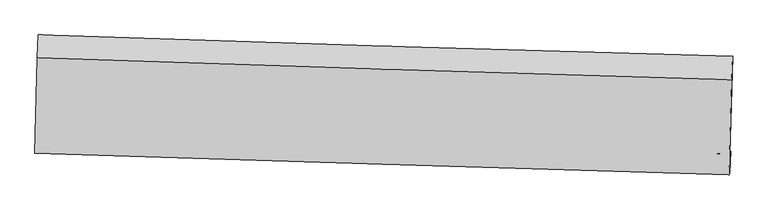
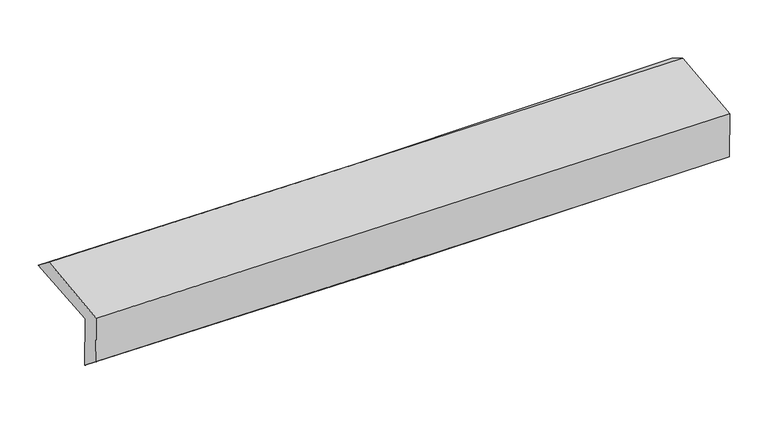
"""IFC4 building model written with IfcOpenShell, lengths in millimetres: proxy geometry."""

from ifc_helpers import new_model, si_unit, frame, origin, place, context, project, spatial, source, transform, mapped, element, save
from ifc_brep_helpers import plane_surface, spline_curve, spline_surface, advanced_brep


def generic_models_aeb746b1(model_context):
    return source(origin(), model_context, "Body", "AdvancedBrep", [
        advanced_brep(
        [(-2435.1442788, -1724.50373, 1989.181224), (-2416.7119521, -1055.1635833, 2015.1054514), (2422.4956374, -1202.4997565, 2111.1754456), (2403.1611555, -1881.6589107, 2084.8615801), (-2429.3098926, -1709.3799794, 1594.5513451), (2409.0671275, -1866.3422065, 1685.1989462), (-2435.3018295, -1862.4494132, 1718.2264448), (2403.151731, -2014.2994704, 1804.1041599), (-2440.8838827, -1879.543785, 2090.4146874), (2397.7194824, -2030.9350836, 2166.3040543), (-2422.9136635, -1215.3493326, 2139.5119468), (2416.3080347, -1366.7582743, 2215.4097771)],
        [
            (0, 1),
            (1, 2, spline_curve(3, [(-2416.7119521, -1055.1635833, 2015.1054514), (-1606.765659044, -1082.378806922, 2020.32129517), (-796.872307631, -1108.309520556, 2030.990130732), (816.196027961, -1157.400687213, 2063.102147615), (1619.371872787, -1180.582031508, 2084.456643621), (2422.4956374, -1202.4997565, 2111.1754456)], [4, 2, 4], [0.0, 7.9758495532651885, 15.886574942484424])),
            (2, 3),
            (3, 0, spline_curve(3, [(2403.1611555, -1881.6589107, 2084.8615801), (1600.280619324, -1854.857726427, 2058.333526542), (797.301451506, -1828.413087419, 2037.106999937), (-815.46539608, -1776.02213246, 2005.125900081), (-1625.254706264, -1750.081711371, 1994.458974719), (-2435.1442788, -1724.50373, 1989.181224)], [4, 2, 4], [0.0, 7.910725389219236, 15.886574942484424])),
            (4, 0),
            (3, 5),
            (5, 4, spline_curve(3, [(2409.0671275, -1866.3422065, 1685.1989462), (1606.149925751, -1839.637333821, 1661.183627666), (803.146433213, -1813.256995718, 1641.634583866), (-809.64448004, -1760.930888191, 1611.344877717), (-1619.433327709, -1734.990483541, 1600.678054678), (-2429.3098926, -1709.3799794, 1594.5513451)], [4, 2, 4], [0.0, 7.910178064524872, 15.885475787306223])),
            (6, 4),
            (5, 7),
            (7, 6, spline_curve(3, [(2403.151731, -2014.2994704, 1804.1041599), (1600.101886024, -1990.273026682, 1785.786927019), (797.025473681, -1965.65992168, 1769.492843194), (-815.791940543, -1915.052934856, 1740.833490531), (-1625.533381811, -1889.049354126, 1728.501669173), (-2435.3018295, -1862.4494132, 1718.2264448)], [4, 2, 4], [0.0, 7.9099117605955165, 15.884940987130129])),
            (8, 6),
            (7, 9),
            (9, 8, spline_curve(3, [(2397.7194824, -2030.9350836, 2166.3040543), (1594.594837322, -2007.13770565, 2152.974171213), (791.46849034, -1982.677520243, 2140.009536853), (-821.399269987, -1932.22471192, 2114.707042912), (-1631.140711251, -1906.221131172, 2102.375221545), (-2440.8838827, -1879.543785, 2090.4146874)], [4, 2, 4], [0.0, 7.909676372784005, 15.884468273703213])),
            (10, 8),
            (9, 11),
            (11, 10, spline_curve(3, [(2416.3080347, -1366.7582743, 2215.4097771), (1613.079916218, -1342.957896267, 2202.078479999), (809.850514191, -1318.494746296, 2189.112436296), (-803.223363981, -1268.036056558, 2163.807120702), (-1613.06786141, -1242.029559115, 2151.473887879), (-2422.9136635, -1215.3493326, 2139.5119468)], [4, 2, 4], [0.0, 7.9101532205614005, 15.885425894854123])),
            (1, 10),
            (11, 2),
        ],
        [
            spline_surface(3, 3, [[(-2435.1442788, -1724.50373, 1989.181224), (-1625.254706203, -1750.081711369, 1994.45897465), (-815.46539602, -1776.022132506, 2005.125900124), (797.301451447, -1828.413087373, 2037.106999895), (1600.280619363, -1854.857726406, 2058.333526492), (2403.1611555, -1881.6589107, 2084.8615801)], [(-2429.000169901, -1501.390347792, 1997.822633124), (-1619.091690486, -1527.514076548, 2003.079748143), (-809.2676999, -1553.451261806, 2013.747310298), (803.599643579, -1604.742287349, 2045.772049164), (1606.644370567, -1630.099161419, 2067.04123221), (2409.605982825, -1655.272525966, 2093.632868613)], [(-2422.856060999, -1278.276965508, 2006.464042276), (-1612.928674767, -1304.94644165, 2011.700521665), (-803.070003706, -1330.880391137, 2022.368720471), (809.897835784, -1381.071487355, 2054.437098433), (1613.008121696, -1405.340596433, 2075.748937889), (2416.050810075, -1428.886141234, 2102.404157087)], [(-2416.7119521, -1055.1635833, 2015.1054514), (-1606.765659049, -1082.378806829, 2020.321295157), (-796.872307585, -1108.309520437, 2030.990130645), (816.196027916, -1157.400687331, 2063.102147702), (1619.3718729, -1180.582031445, 2084.456643607), (2422.4956374, -1202.4997565, 2111.1754456)]], [4, 4], [4, 2, 4], [0.0, 2.1985342957846923], [0.0, 7.9758495532651885, 15.886574942484424]),
            spline_surface(3, 3, [[(-2429.3098926, -1709.3799794, 1594.5513451), (-1619.433327693, -1734.990483613, 1600.678054666), (-809.644480124, -1760.93088808, 1611.344877825), (803.146433297, -1813.256995828, 1641.63458376), (1606.149925775, -1839.637333741, 1661.183627639), (2409.0671275, -1866.3422065, 1685.1989462)], [(-2431.25468802, -1714.421229575, 1726.094638057), (-1621.373787216, -1740.02089284, 1731.938361318), (-811.584785417, -1765.961302912, 1742.605218607), (801.198106019, -1818.309026366, 1773.458722487), (1604.193490292, -1844.710797977, 1793.56692723), (2407.098470154, -1871.44777458, 1818.41982414)], [(-2433.19948338, -1719.462479825, 1857.637931043), (-1623.314246679, -1745.051302143, 1863.198667998), (-813.525090727, -1770.991717674, 1873.865559341), (799.249778724, -1823.361056835, 1905.282861167), (1602.237054847, -1849.784262171, 1925.9502269), (2405.129812846, -1876.55334262, 1951.64070216)], [(-2435.1442788, -1724.50373, 1989.181224), (-1625.254706203, -1750.081711369, 1994.45897465), (-815.46539602, -1776.022132506, 2005.125900124), (797.301451447, -1828.413087373, 2037.106999895), (1600.280619363, -1854.857726406, 2058.333526492), (2403.1611555, -1881.6589107, 2084.8615801)]], [4, 4], [4, 2, 4], [0.0, 1.2957762135722022], [0.0, 7.9752977227813515, 15.885475787306223]),
            spline_surface(3, 3, [[(-2435.3018295, -1862.4494132, 1718.2264448), (-1625.533381875, -1889.049354156, 1728.501669103), (-815.791940576, -1915.05293491, 1740.833490442), (797.025473713, -1965.659921627, 1769.492843282), (1600.101885893, -1990.273026627, 1785.786926991), (2403.151731, -2014.2994704, 1804.1041599)], [(-2433.304517181, -1811.426268594, 1677.001411569), (-1623.500030461, -1837.696397302, 1685.893797627), (-813.742787074, -1863.678919287, 1697.670619546), (799.065793592, -1914.858946347, 1726.873423418), (1602.117899189, -1940.061128996, 1744.252493881), (2405.123529836, -1964.98038243, 1764.469088674)], [(-2431.307204919, -1760.403124006, 1635.776378331), (-1621.466679106, -1786.343440467, 1643.285926143), (-811.693633626, -1812.304903703, 1654.507748721), (801.106113418, -1864.057971107, 1684.254003624), (1604.133912479, -1889.849231373, 1702.718060748), (2407.095328664, -1915.66129447, 1724.834017426)], [(-2429.3098926, -1709.3799794, 1594.5513451), (-1619.433327693, -1734.990483613, 1600.678054666), (-809.644480124, -1760.93088808, 1611.344877825), (803.146433297, -1813.256995828, 1641.63458376), (1606.149925775, -1839.637333741, 1661.183627639), (2409.0671275, -1866.3422065, 1685.1989462)]], [4, 4], [4, 2, 4], [0.0, 0.6568869645707723], [0.0, 7.9750292265346125, 15.884940987130129]),
            spline_surface(3, 3, [[(-2440.8838827, -1879.543785, 2090.4146874), (-1631.140711232, -1906.221131173, 2102.375221479), (-821.399269934, -1932.224711927, 2114.707042818), (791.468490287, -1982.677520236, 2140.009536947), (1594.59483737, -2007.137705667, 2152.974171236), (2397.7194824, -2030.9350836, 2166.3040543)], [(-2439.02319832, -1873.845661082, 1966.351939881), (-1629.271601466, -1900.497205515, 1977.750704034), (-819.530160168, -1926.500786269, 1990.082525373), (793.320818075, -1977.004987381, 2016.503972406), (1596.430520209, -2001.516145984, 2030.578423159), (2399.530231931, -2025.389879197, 2045.570756171)], [(-2437.16251388, -1868.147537118, 1842.289192319), (-1627.40249164, -1894.773279813, 1853.126186548), (-817.661050341, -1920.776860567, 1865.458007887), (795.173145925, -1971.332454482, 1892.998407823), (1598.266203054, -1995.89458631, 1908.182675068), (2401.340981469, -2019.844674803, 1924.837458029)], [(-2435.3018295, -1862.4494132, 1718.2264448), (-1625.533381875, -1889.049354156, 1728.501669103), (-815.791940576, -1915.05293491, 1740.833490442), (797.025473713, -1965.659921627, 1769.492843282), (1600.101885893, -1990.273026627, 1785.786926991), (2403.151731, -2014.2994704, 1804.1041599)]], [4, 4], [4, 2, 4], [0.0, 1.222582010425604], [0.0, 7.974791900919208, 15.884468273703213]),
            spline_surface(3, 3, [[(-2422.9136635, -1215.3493326, 2139.5119468), (-1613.067861345, -1242.02955912, 2151.473887834), (-803.223363986, -1268.036056455, 2163.807120834), (809.850514195, -1318.494746398, 2189.112436166), (1613.079916233, -1342.95789626, 2202.078479942), (2416.3080347, -1366.7582743, 2215.4097771)], [(-2428.903736545, -1436.747483411, 2123.146193674), (-1619.092144619, -1463.426749815, 2135.107665723), (-809.281999283, -1489.432274947, 2147.440428166), (803.723172911, -1539.889004345, 2172.744803097), (1606.918223291, -1564.351166063, 2185.710377054), (2410.111850612, -1588.150544067, 2199.041202848)], [(-2434.893809655, -1658.145634189, 2106.780440526), (-1625.116427957, -1684.823940478, 2118.74144359), (-815.340634636, -1710.828493435, 2131.073735486), (797.595831571, -1761.283262289, 2156.377170015), (1600.756530313, -1785.744435864, 2169.342274124), (2403.915666488, -1809.542813833, 2182.672628552)], [(-2440.8838827, -1879.543785, 2090.4146874), (-1631.140711232, -1906.221131173, 2102.375221479), (-821.399269934, -1932.224711927, 2114.707042818), (791.468490287, -1982.677520236, 2140.009536947), (1594.59483737, -2007.137705667, 2152.974171236), (2397.7194824, -2030.9350836, 2166.3040543)]], [4, 4], [4, 2, 4], [0.0, 2.185856324570995], [0.0, 7.9752726742927225, 15.885425894854123]),
            spline_surface(3, 3, [[(-2416.7119521, -1055.1635833, 2015.1054514), (-1606.765659049, -1082.378806829, 2020.321295157), (-796.872307585, -1108.309520437, 2030.990130645), (816.196027916, -1157.400687331, 2063.102147702), (1619.3718729, -1180.582031445, 2084.456643607), (2422.4956374, -1202.4997565, 2111.1754456)], [(-2418.779189233, -1108.558833047, 2056.574283195), (-1608.866393147, -1135.59572424, 2064.038826045), (-798.989326382, -1161.551699093, 2075.262460697), (814.080856679, -1211.098707003, 2105.105577179), (1617.274553988, -1234.707319709, 2123.663922372), (2420.433103143, -1257.252595759, 2145.920222753)], [(-2420.846426367, -1161.954082853, 2098.043115005), (-1610.967127247, -1188.812641709, 2107.756356947), (-801.106345189, -1214.793877799, 2119.534790782), (811.965685432, -1264.796726725, 2147.109006689), (1615.177235146, -1288.832607996, 2162.871201177), (2418.370568957, -1312.005435041, 2180.664999947)], [(-2422.9136635, -1215.3493326, 2139.5119468), (-1613.067861345, -1242.02955912, 2151.473887834), (-803.223363986, -1268.036056455, 2163.807120834), (809.850514195, -1318.494746398, 2189.112436166), (1613.079916233, -1342.95789626, 2202.078479942), (2416.3080347, -1366.7582743, 2215.4097771)]], [4, 4], [4, 2, 4], [0.0, 0.6765615545169771], [0.0, 7.976007009195794, 15.886888568691264]),
            plane_surface(frame((2408.6505281, -1727.0822837, 2011.1756605), z_axis=(0.9994865799429342, -0.02898286497457718, 0.013659064823110686), x_axis=(0.014980454479285905, 0.04587585456523631, -0.9988348171502149))),
            plane_surface(frame((-2430.0442499, -1574.3983039, 1924.4985166), z_axis=(-0.9995124573762484, 0.028055324961479416, -0.013702054262009475), x_axis=(-0.02750701248104664, -0.9988726908341041, -0.03868735930770932))),
        ],
        [
            (0, [[1, 2, 3, 4]]),
            (1, [[5, -4, 6, 7]]),
            (2, [[8, -7, 9, 10]]),
            (3, [[11, -10, 12, 13]]),
            (4, [[14, -13, 15, 16]]),
            (5, [[17, -16, 18, -2]]),
            (6, [[-12, -9, -6, -3, -18, -15]]),
            (7, [[-1, -5, -8, -11, -14, -17]]),
        ],
    ),
    ])


if __name__ == "__main__":
    model = new_model("IFC4")
    model_context = context("Model", 3, world=origin())
    ifc_project = project(units=[si_unit("LENGTHUNIT", "METRE", prefix="MILLI")], contexts=[model_context])
    site = spatial("IfcSite", under=ifc_project)
    building = spatial("IfcBuilding", under=site)
    placement = place(None, origin())
    generic_models_shape = generic_models_aeb746b1(model_context)
    element("IfcBuildingElementProxy", 1, Name="Generic Models", at=placement, inside=building, context=model_context, shape_type="MappedRepresentation", body=[
        mapped(generic_models_shape, transform((0.0, 0.0, 0.0), x_axis=(1.0, 0.0, 0.0), y_axis=(0.0, 1.0, 0.0), z_axis=(0.0, 0.0, 1.0))),
    ])
    save(model, "model.ifc")
